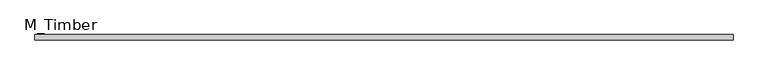
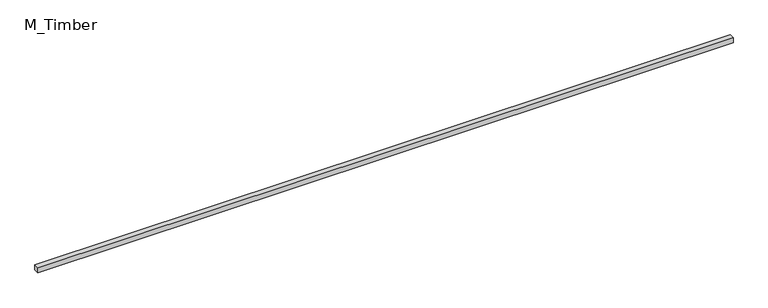
"""IFC4 building model written with IfcOpenShell, lengths in millimetres: beam geometry, M_Timber."""

import ifcopenshell
import ifcopenshell.guid

model = None  # the IFC model being written
_history = None  # IfcOwnerHistory: only IFC2X3 demands one
_inside = {}  # id of a spatial element -> (the spatial element, [elements in it])
_under = {}  # id of a project, library or spatial element -> (it, [spatial elements below it])
_declared = {}  # id of a project -> (the project, [libraries it declares])
_typed = {}  # id of a type object -> (the type object, [elements of that type])
_made_of = {}  # id of a material, layer set ... -> (it, [elements and type objects made of it])


def new_model(schema):
    """Start an empty IFC model of exactly this schema.

    Asked for "IFC4X3", IfcOpenShell would pick the latest addendum, in which some entities
    have other attributes; the version numbers below select the first issue.
    IFC2X3 requires an IfcOwnerHistory on every rooted entity: one is made here for all.
    """
    global model, _history
    if schema == "IFC4X3":
        model = ifcopenshell.file(schema_version=(4, 3, 0, 0))
    else:
        model = ifcopenshell.file(schema=schema)
    _inside.clear()
    _under.clear()
    _declared.clear()
    _typed.clear()
    _made_of.clear()
    _history = None
    if model.schema == "IFC2X3":
        org = make("IfcOrganization", Name="unknown")
        user = make(
            "IfcPersonAndOrganization",
            ThePerson=make("IfcPerson", FamilyName="unknown"),
            TheOrganization=org,
        )
        app = make(
            "IfcApplication",
            ApplicationDeveloper=org,
            Version="unknown",
            ApplicationFullName="unknown",
            ApplicationIdentifier="unknown",
        )
        _history = make(
            "IfcOwnerHistory",
            OwningUser=user,
            OwningApplication=app,
            ChangeAction="ADDED",
            CreationDate=0,
        )
    return model


def make(cls, **values):
    """One entity of the class cls with the attributes given. An attribute that is None is left unset."""
    return model.create_entity(
        cls, **{name: value for name, value in values.items() if value is not None}
    )


def rooted(cls, **values):
    """An entity with a GlobalId (a new one), such as an element, a storey or a relation."""
    return make(cls, GlobalId=ifcopenshell.guid.new(), OwnerHistory=_history, **values)


def si_unit(unit_type, name, prefix=None):
    """IfcSIUnit, for example si_unit("LENGTHUNIT", "METRE", prefix="MILLI")."""
    return make("IfcSIUnit", UnitType=unit_type, Prefix=prefix, Name=name)


def assignment(units):
    """IfcUnitAssignment: the units of a project."""
    return None if units is None else make("IfcUnitAssignment", Units=units)


def point(xyz):
    """IfcCartesianPoint."""
    return None if xyz is None else make("IfcCartesianPoint", Coordinates=xyz)


def direction(xyz):
    """IfcDirection."""
    return None if xyz is None else make("IfcDirection", DirectionRatios=xyz)


def frame(location, z_axis=None, x_axis=None):
    """IfcAxis2Placement3D, a coordinate frame: its origin and axes. An axis left out is left unset."""
    return make(
        "IfcAxis2Placement3D",
        Location=point(location),
        Axis=direction(z_axis),
        RefDirection=direction(x_axis),
    )


def origin():
    """The frame at (0, 0, 0) with its axes left unset."""
    return frame((0.0, 0.0, 0.0))


def place(relative_to, where):
    """IfcLocalPlacement: puts the frame where relative to a parent placement (None: the world)."""
    return make(
        "IfcLocalPlacement", PlacementRelTo=relative_to, RelativePlacement=where
    )


def context(
    kind, dimensions, precision=None, world=None, true_north=None, identifier=None
):
    """IfcGeometricRepresentationContext, for example the 3D "Model" context."""
    return make(
        "IfcGeometricRepresentationContext",
        ContextIdentifier=identifier,
        ContextType=kind,
        CoordinateSpaceDimension=dimensions,
        Precision=precision,
        WorldCoordinateSystem=world,
        TrueNorth=true_north,
    )


def project(units=None, contexts=None):
    """IfcProject with its units and contexts."""
    return rooted(
        "IfcProject",
        Name="project",
        RepresentationContexts=contexts,
        UnitsInContext=assignment(units),
    )


def spatial(cls, under=None, at=None, **own):
    """A site, building, storey or space (cls), placed at a placement, below another one or the project."""
    s = rooted(cls, ObjectPlacement=at, **own)
    if under is not None:
        _under.setdefault(under.id(), (under, []))[1].append(s)
    return s


def polyline(points):
    """IfcPolyline through the points."""
    return make("IfcPolyline", Points=[point(p) for p in points])


def outline(outer, holes=None, kind="AREA"):
    """IfcArbitraryClosedProfileDef: a profile drawn as a closed curve; with holes, ...WithVoids."""
    if holes is None:
        return make("IfcArbitraryClosedProfileDef", ProfileType=kind, OuterCurve=outer)
    return make(
        "IfcArbitraryProfileDefWithVoids",
        ProfileType=kind,
        OuterCurve=outer,
        InnerCurves=holes,
    )


def extrude(swept, where, along, depth):
    """IfcExtrudedAreaSolid: the profile swept, set in the frame where, extruded along a direction by depth."""
    return make(
        "IfcExtrudedAreaSolid",
        SweptArea=swept,
        Position=where,
        ExtrudedDirection=direction(along),
        Depth=depth,
    )


def shape(context_of_items, identifier, shape_type, items):
    """IfcShapeRepresentation: the items that make up one representation, for example the "Body"."""
    return make(
        "IfcShapeRepresentation",
        ContextOfItems=context_of_items,
        RepresentationIdentifier=identifier,
        RepresentationType=shape_type,
        Items=items,
    )


def source(mapping_origin, context_of_items, identifier, shape_type, items):
    """IfcRepresentationMap: a shape defined once, which mapped items show again and again."""
    return make(
        "IfcRepresentationMap",
        MappingOrigin=mapping_origin,
        MappedRepresentation=shape(context_of_items, identifier, shape_type, items),
    )


def transform(
    local_origin,
    x_axis=None,
    y_axis=None,
    z_axis=None,
    scale=None,
    scale2=None,
    scale3=None,
    uniform=True,
):
    """IfcCartesianTransformationOperator3D, or its non-uniform kind. x_axis, y_axis, z_axis: its Axis1, 2, 3."""
    if uniform:
        return make(
            "IfcCartesianTransformationOperator3D",
            Axis1=direction(x_axis),
            Axis2=direction(y_axis),
            LocalOrigin=point(local_origin),
            Scale=scale,
            Axis3=direction(z_axis),
        )
    return make(
        "IfcCartesianTransformationOperator3DnonUniform",
        Axis1=direction(x_axis),
        Axis2=direction(y_axis),
        LocalOrigin=point(local_origin),
        Scale=scale,
        Axis3=direction(z_axis),
        Scale2=scale2,
        Scale3=scale3,
    )


def mapped(mapping_source, mapping_target):
    """IfcMappedItem: shows the shape of a source again, moved by a transform."""
    return make(
        "IfcMappedItem", MappingSource=mapping_source, MappingTarget=mapping_target
    )


def made_of(thing, what):
    """Note that an element or type object is made of a material, layer set ...; save() writes the relation."""
    if what is not None:
        _made_of.setdefault(what.id(), (what, []))[1].append(thing)
    return thing


def element(
    cls,
    number,
    at=None,
    inside=None,
    cuts=None,
    type_object=None,
    material=None,
    context=None,
    identifier="Body",
    shape_type=None,
    held_by="IfcProductDefinitionShape",
    body=None,
    shapes=None,
    **own,
):
    """One element of the class cls, such as IfcWall. Its Tag is "e" and its number.

    at: its placement. inside: the storey or other place that contains it. cuts: it is an
    opening in that element (IfcRelVoidsElement). A single representation is given by context,
    identifier, shape_type and body (its items); several are given by shapes. held_by: the class
    of the entity that holds the representations. save() writes the other relations.
    """
    e = rooted(cls, Tag="e%d" % number, ObjectPlacement=at, **own)
    if body is not None:
        shapes = [shape(context, identifier, shape_type, body)]
    if shapes is not None:
        e.Representation = make(held_by, Representations=shapes)
    if inside is not None:
        _inside.setdefault(inside.id(), (inside, []))[1].append(e)
    if cuts is not None:
        rooted(
            "IfcRelVoidsElement", RelatingBuildingElement=cuts, RelatedOpeningElement=e
        )
    if type_object is not None:
        _typed.setdefault(type_object.id(), (type_object, []))[1].append(e)
    return made_of(e, material)


def aggregate(whole, parts):
    """IfcRelAggregates: a whole, such as a stair, and the parts it consists of."""
    return rooted("IfcRelAggregates", RelatingObject=whole, RelatedObjects=parts)


def save(model, path):
    """Write the relations noted so far, then the file.

    IfcRelAggregates (storeys below a building ...), IfcRelContainedInSpatialStructure (elements
    in a storey), IfcRelDefinesByType, IfcRelAssociatesMaterial and IfcRelDeclares: one each for
    every whole, place, type object, material and project.
    """
    for whole, parts in _under.values():
        aggregate(whole, parts)
    for where, things in _inside.values():
        rooted(
            "IfcRelContainedInSpatialStructure",
            RelatedElements=things,
            RelatingStructure=where,
        )
    for kind, things in _typed.values():
        rooted("IfcRelDefinesByType", RelatedObjects=things, RelatingType=kind)
    for what, things in _made_of.values():
        rooted("IfcRelAssociatesMaterial", RelatedObjects=things, RelatingMaterial=what)
    for by, libraries in _declared.values():
        rooted("IfcRelDeclares", RelatingContext=by, RelatedDefinitions=libraries)
    model.write(path)


def m_timber_3fb8acfc(model_context):
    return source(origin(), model_context, "Body", "SweptSolid", [
        extrude(outline(polyline([(2617.5173877, 20.0), (2617.5173877, -20.0), (-2617.5173877, -20.0), (-2617.5173877, 20.0), (2617.5173877, 20.0)])), frame((0.0, 0.0, -20.0), z_axis=(0.0, 0.0, 1.0), x_axis=(1.0, 0.0, 0.0)), (0.0, 0.0, 1.0), 40.0),
    ])


if __name__ == "__main__":
    model = new_model("IFC4")
    model_context = context("Model", 3, world=origin())
    ifc_project = project(units=[si_unit("LENGTHUNIT", "METRE", prefix="MILLI")], contexts=[model_context])
    site = spatial("IfcSite", under=ifc_project)
    building = spatial("IfcBuilding", under=site)
    placement = place(None, origin())
    m_timber_shape = m_timber_3fb8acfc(model_context)
    element("IfcBeam", 1, ObjectType="M_Timber", at=placement, inside=building, context=model_context, shape_type="MappedRepresentation", body=[
        mapped(m_timber_shape, transform((0.0, 0.0, 0.0), x_axis=(1.0, 0.0, 0.0), y_axis=(0.0, 1.0, 0.0), z_axis=(0.0, 0.0, 1.0))),
    ])
    save(model, "model.ifc")
